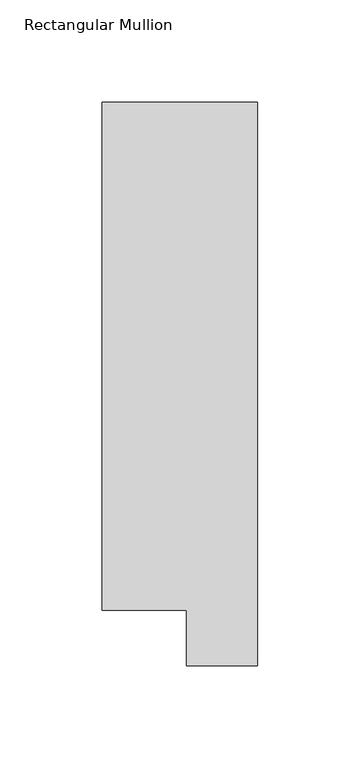
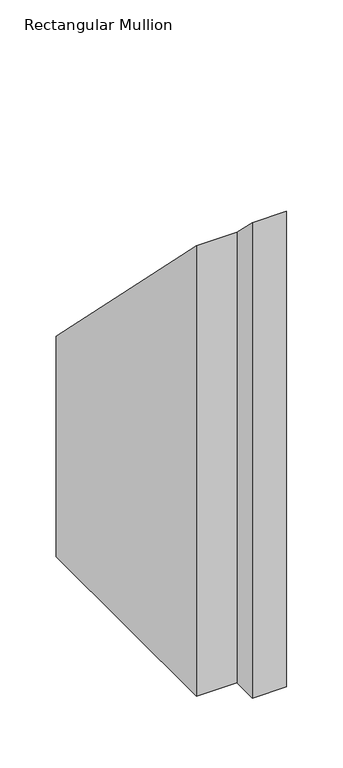
"""IFC4 building model written with IfcOpenShell, lengths in millimetres: member geometry, Rectangular Mullion."""

from ifc_helpers import new_model, si_unit, origin, place, context, project, spatial, faceted_brep, source, transform, mapped, element, save


def rectangular_mullion_992d044f(model_context):
    return source(origin(), model_context, "Body", "Brep", [
        faceted_brep([(0.0, 295.1821312, -533.4), (0.0, 19.5667313, -533.4), (-34.9123, 19.5667313, -533.4), (-34.9123, 46.7447302, -533.4), (-76.2, 46.7447302, -533.4), (-76.2, 295.1821312, -533.4), (-76.2, 295.1821312, -295.1821312), (0.0, 295.1821312, -295.1821312), (-76.2, 46.7447302, -46.7447302), (-34.9123, 46.7447302, -46.7447302), (-34.9123, 19.5667313, -19.5667313), (0.0, 19.5667313, -19.5667313)], [[[0, 1, 2, 3, 4, 5]], [[6, 7, 0, 5]], [[8, 6, 5, 4]], [[9, 8, 4, 3]], [[10, 9, 3, 2]], [[11, 10, 2, 1]], [[7, 11, 1, 0]], [[7, 6, 8, 9, 10, 11]]]),
    ])


if __name__ == "__main__":
    model = new_model("IFC4")
    model_context = context("Model", 3, world=origin())
    ifc_project = project(units=[si_unit("LENGTHUNIT", "METRE", prefix="MILLI")], contexts=[model_context])
    site = spatial("IfcSite", under=ifc_project)
    building = spatial("IfcBuilding", under=site)
    placement = place(None, origin())
    rectangular_mullion_shape = rectangular_mullion_992d044f(model_context)
    element("IfcMember", 1, ObjectType="Rectangular Mullion", at=placement, inside=building, context=model_context, shape_type="MappedRepresentation", body=[
        mapped(rectangular_mullion_shape, transform((0.0, 0.0, 0.0), x_axis=(1.0, 0.0, 0.0), y_axis=(0.0, 1.0, 0.0), z_axis=(0.0, 0.0, 1.0))),
    ])
    save(model, "model.ifc")
